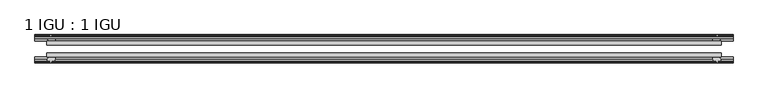
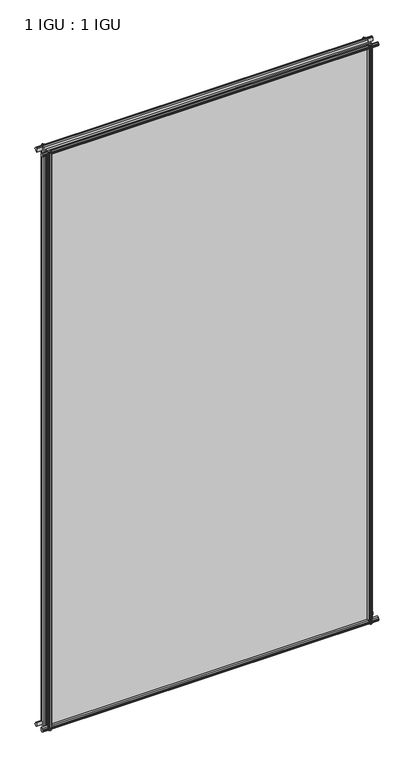
"""IFC4 building model written with IfcOpenShell, lengths in millimetres: plate geometry, 1 IGU : 1 IGU."""

from ifc_helpers import new_model, si_unit, frame, origin, place, context, project, spatial, polyline, outline, extrude, source, transform, mapped, element, save


def plate_1_igu_1_igu_99bcc58e(model_context):
    return source(origin(), model_context, "Body", "SweptSolid", [
        extrude(outline(polyline([(-536.1167269, -38.6468937), (536.1167269, -38.6468937), (536.1167269, -44.9460938), (-536.1167269, -44.9460938), (-536.1167269, -38.6468937)])), frame((0.0, 0.0, -12.7), z_axis=(0.0, 0.0, 1.0), x_axis=(1.0, 0.0, 0.0)), (0.0, 0.0, 1.0), 2019.2999999),
        extrude(outline(polyline([(-536.1167269, -19.5460937), (536.1167269, -19.5460937), (536.1167269, -25.8960938), (-536.1167269, -25.8960938), (-536.1167269, -19.5460937)])), frame((0.0, 0.0, -12.7), z_axis=(0.0, 0.0, 1.0), x_axis=(1.0, 0.0, 0.0)), (0.0, 0.0, 1.0), 2019.2999999),
        extrude(outline(polyline([(-44.9460937, 1.7177181), (-44.9460937, -9.1036578), (-48.3496937, -11.938), (-51.2960937, -11.938), (-51.2960937, -7.493), (-53.6762907, -7.112), (-53.2163575, -8.5275291), (-54.0175717, -8.5275291), (-54.7250937, -6.35), (-54.0175717, -4.1724709), (-53.2163575, -4.1724709), (-53.6762907, -5.588), (-51.2960937, -5.207), (-51.2960937, 0.0), (-44.9460937, 1.7177181)])), frame((-555.1667269, 0.0, 0.0), z_axis=(1.0, 0.0, 0.0), x_axis=(0.0, 1.0, 0.0)), (0.0, 0.0, 1.0), 1110.3334538),
        extrude(outline(polyline([(-13.1960937, -12.4587), (-16.1424937, -12.4587), (-19.5460937, -9.6243578), (-19.5460937, 1.1970181), (-13.1960937, -0.5207), (-13.1960937, -5.7277), (-10.8158968, -6.1087), (-11.27583, -4.6931709), (-10.4746158, -4.6931709), (-9.7670937, -6.8707), (-10.4746158, -9.0482291), (-11.27583, -9.0482291), (-10.8158968, -7.6327), (-13.1960937, -8.0137), (-13.1960937, -12.4587)])), frame((-555.1667269, 0.0, 0.0), z_axis=(1.0, 0.0, 0.0), x_axis=(0.0, 1.0, 0.0)), (0.0, 0.0, 1.0), 1110.3334538),
        extrude(outline(polyline([(-51.2960937, 2005.8379999), (-48.3496937, 2005.8379999), (-44.9460937, 2003.0036577), (-44.9460937, 1992.1822818), (-51.2960937, 1993.8999999), (-51.2960937, 1999.1069999), (-53.6762907, 1999.4879999), (-53.2163575, 1998.0724708), (-54.0175717, 1998.0724708), (-54.7250937, 2000.2499999), (-54.0175717, 2002.4275289), (-53.2163575, 2002.4275289), (-53.6762907, 2001.0119999), (-51.2960937, 2001.3929999), (-51.2960937, 2005.8379999)])), frame((-555.1667269, 0.0, 0.0), z_axis=(1.0, 0.0, 0.0), x_axis=(0.0, 1.0, 0.0)), (0.0, 0.0, 1.0), 1110.3334538),
        extrude(outline(polyline([(-19.5460937, 1992.7029818), (-19.5460937, 2003.5243577), (-16.1424937, 2006.3586999), (-13.1960937, 2006.3586999), (-13.1960937, 2001.9136999), (-10.8158968, 2001.5326999), (-11.27583, 2002.9482289), (-10.4746158, 2002.9482289), (-9.7670937, 2000.7706999), (-10.4746158, 1998.5931708), (-11.27583, 1998.5931708), (-10.8158968, 2000.0086999), (-13.1960937, 1999.6276999), (-13.1960937, 1994.4206999), (-19.5460937, 1992.7029818)])), frame((-555.1667269, 0.0, 0.0), z_axis=(1.0, 0.0, 0.0), x_axis=(0.0, 1.0, 0.0)), (0.0, 0.0, 1.0), 1110.3334538),
        extrude(outline(polyline([(522.2197088, -19.5460938), (523.9374269, -13.1960938), (529.1444269, -13.1960938), (529.5254269, -10.8158968), (528.1098978, -11.27583), (528.1098978, -10.4746158), (530.2874269, -9.7670938), (532.4649559, -10.4746158), (532.4649559, -11.27583), (531.0494269, -10.8158968), (531.4304269, -13.1960938), (535.8754269, -13.1960938), (535.8754269, -16.1424938), (533.0410847, -19.5460938), (522.2197088, -19.5460938)])), frame((0.0, 0.0, -12.7), z_axis=(0.0, 0.0, 1.0), x_axis=(1.0, 0.0, 0.0)), (0.0, 0.0, 1.0), 2019.3),
        extrude(outline(polyline([(521.6990088, -44.9460938), (532.5203847, -44.9460938), (535.3547269, -48.3496938), (535.3547269, -51.2960938), (530.9097269, -51.2960938), (530.5287269, -53.6762907), (531.9442559, -53.2163575), (531.9442559, -54.0175717), (529.7667269, -54.7250938), (527.5891978, -54.0175717), (527.5891978, -53.2163575), (529.0047269, -53.6762907), (528.6237269, -51.2960938), (523.4167269, -51.2960938), (521.6990088, -44.9460938)])), frame((0.0, 0.0, -12.7), z_axis=(0.0, 0.0, 1.0), x_axis=(1.0, 0.0, 0.0)), (0.0, 0.0, 1.0), 2019.3),
        extrude(outline(polyline([(-530.2874269, -9.7670937), (-528.1098978, -10.4746158), (-528.1098978, -11.27583), (-529.5254269, -10.8158968), (-529.1444269, -13.1960937), (-523.9374269, -13.1960937), (-522.2197088, -19.5460937), (-533.0410847, -19.5460937), (-535.8754269, -16.1424937), (-535.8754269, -13.1960937), (-531.4304269, -13.1960937), (-531.0494269, -10.8158968), (-532.4649559, -11.27583), (-532.4649559, -10.4746158), (-530.2874269, -9.7670937)])), frame((0.0, 0.0, -12.7), z_axis=(0.0, 0.0, 1.0), x_axis=(1.0, 0.0, 0.0)), (0.0, 0.0, 1.0), 2019.3),
        extrude(outline(polyline([(-535.3547269, -48.3496937), (-532.5203847, -44.9460937), (-521.6990088, -44.9460937), (-523.4167269, -51.2960937), (-528.6237269, -51.2960937), (-529.0047269, -53.6762907), (-527.5891978, -53.2163575), (-527.5891978, -54.0175717), (-529.7667269, -54.7250937), (-531.9442559, -54.0175717), (-531.9442559, -53.2163575), (-530.5287269, -53.6762907), (-530.9097269, -51.2960937), (-535.3547269, -51.2960937), (-535.3547269, -48.3496937)])), frame((0.0, 0.0, -12.7), z_axis=(0.0, 0.0, 1.0), x_axis=(1.0, 0.0, 0.0)), (0.0, 0.0, 1.0), 2019.3),
    ])


if __name__ == "__main__":
    model = new_model("IFC4")
    model_context = context("Model", 3, world=origin())
    ifc_project = project(units=[si_unit("LENGTHUNIT", "METRE", prefix="MILLI")], contexts=[model_context])
    site = spatial("IfcSite", under=ifc_project)
    building = spatial("IfcBuilding", under=site)
    placement = place(None, origin())
    plate_1_igu_1_igu_shape = plate_1_igu_1_igu_99bcc58e(model_context)
    element("IfcPlate", 1, ObjectType="1 IGU : 1 IGU", at=placement, inside=building, context=model_context, shape_type="MappedRepresentation", body=[
        mapped(plate_1_igu_1_igu_shape, transform((0.0, 0.0, 0.0), x_axis=(1.0, 0.0, 0.0), y_axis=(0.0, 1.0, 0.0), z_axis=(0.0, 0.0, 1.0))),
    ])
    save(model, "model.ifc")
